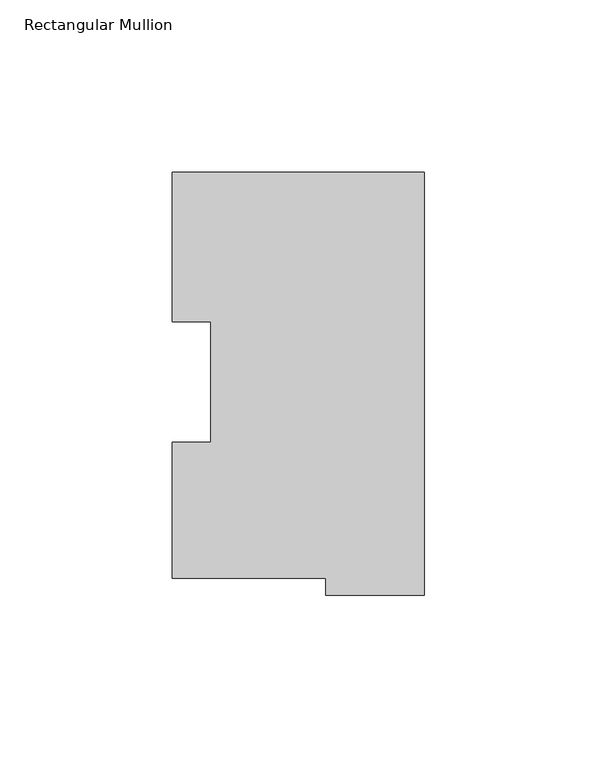
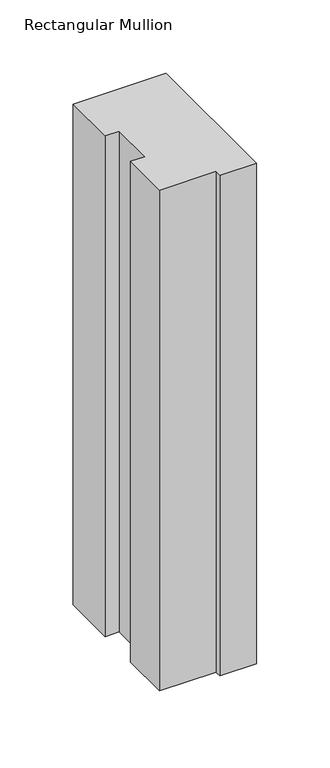
"""IFC4 building model written with IfcOpenShell, lengths in millimetres: member geometry, Rectangular Mullion."""

from ifc_helpers import new_model, si_unit, frame, origin, place, context, project, spatial, polyline, outline, extrude, source, transform, mapped, element, save


def rectangular_mullion_e21df17b(model_context):
    return source(origin(), model_context, "Body", "SweptSolid", [
        extrude(outline(polyline([(-73.025, 117.827425), (0.0, 117.827425), (0.0, -4.778375), (-28.575, -4.778375), (-28.575, 0.225425), (-73.025, 0.225425), (-73.025, 39.646225), (-61.9252, 39.646225), (-61.9252, 74.596625), (-73.025, 74.596625), (-73.025, 117.827425)])), frame((0.0, 0.0, -415.896425), z_axis=(0.0, 0.0, 1.0), x_axis=(1.0, 0.0, 0.0)), (0.0, 0.0, 1.0), 415.896425),
    ])


if __name__ == "__main__":
    model = new_model("IFC4")
    model_context = context("Model", 3, world=origin())
    ifc_project = project(units=[si_unit("LENGTHUNIT", "METRE", prefix="MILLI")], contexts=[model_context])
    site = spatial("IfcSite", under=ifc_project)
    building = spatial("IfcBuilding", under=site)
    placement = place(None, origin())
    rectangular_mullion_shape = rectangular_mullion_e21df17b(model_context)
    element("IfcMember", 1, ObjectType="Rectangular Mullion", at=placement, inside=building, context=model_context, shape_type="MappedRepresentation", body=[
        mapped(rectangular_mullion_shape, transform((0.0, 0.0, 0.0), x_axis=(1.0, 0.0, 0.0), y_axis=(0.0, 1.0, 0.0), z_axis=(0.0, 0.0, 1.0))),
    ])
    save(model, "model.ifc")
